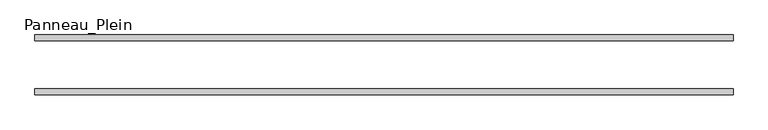
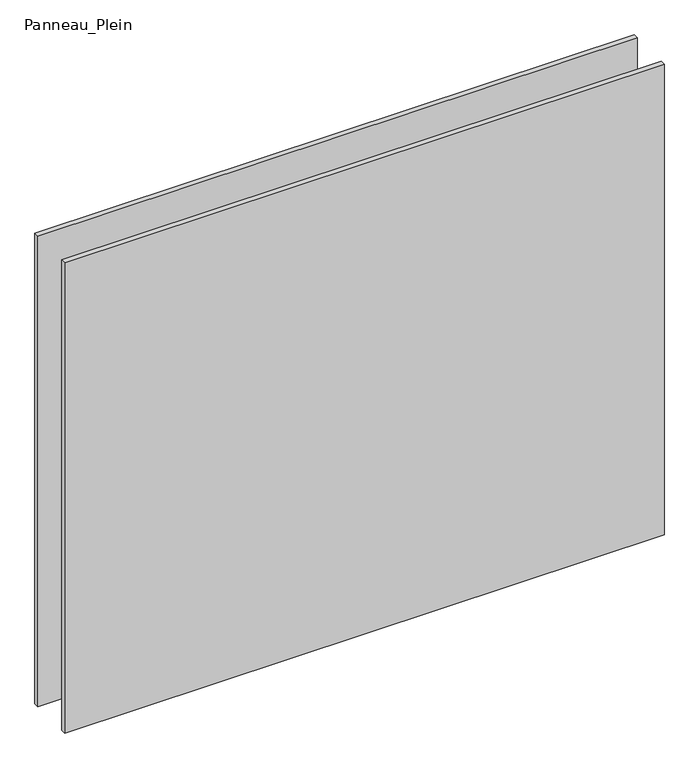
"""IFC4 building model written with IfcOpenShell, lengths in millimetres: plate geometry, Panneau_Plein."""

from ifc_helpers import new_model, si_unit, origin, origin_with_axes, place, context, project, spatial, polyline, outline, extrude, source, transform, mapped, element, save


def panneau_plein_6a4c58a1(model_context):
    return source(origin(), model_context, "Body", "SweptSolid", [
        extrude(outline(polyline([(584.75, 50.0), (584.75, 40.0), (-584.75, 40.0), (-584.75, 50.0), (584.75, 50.0)])), origin_with_axes(), (0.0, 0.0, 1.0), 969.867499),
        extrude(outline(polyline([(584.75, -40.0), (584.75, -50.0), (-584.75, -50.0), (-584.75, -40.0), (584.75, -40.0)])), origin_with_axes(), (0.0, 0.0, 1.0), 969.867499),
    ])


if __name__ == "__main__":
    model = new_model("IFC4")
    model_context = context("Model", 3, world=origin())
    ifc_project = project(units=[si_unit("LENGTHUNIT", "METRE", prefix="MILLI")], contexts=[model_context])
    site = spatial("IfcSite", under=ifc_project)
    building = spatial("IfcBuilding", under=site)
    placement = place(None, origin())
    panneau_plein_shape = panneau_plein_6a4c58a1(model_context)
    element("IfcPlate", 1, ObjectType="Panneau_Plein", at=placement, inside=building, context=model_context, shape_type="MappedRepresentation", body=[
        mapped(panneau_plein_shape, transform((0.0, 0.0, 0.0), x_axis=(1.0, 0.0, 0.0), y_axis=(0.0, 1.0, 0.0), z_axis=(0.0, 0.0, 1.0))),
    ])
    save(model, "model.ifc")
